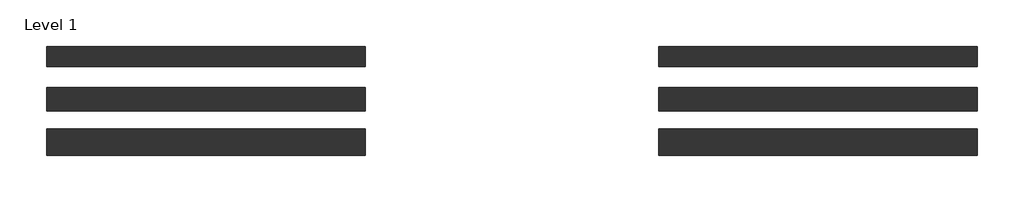
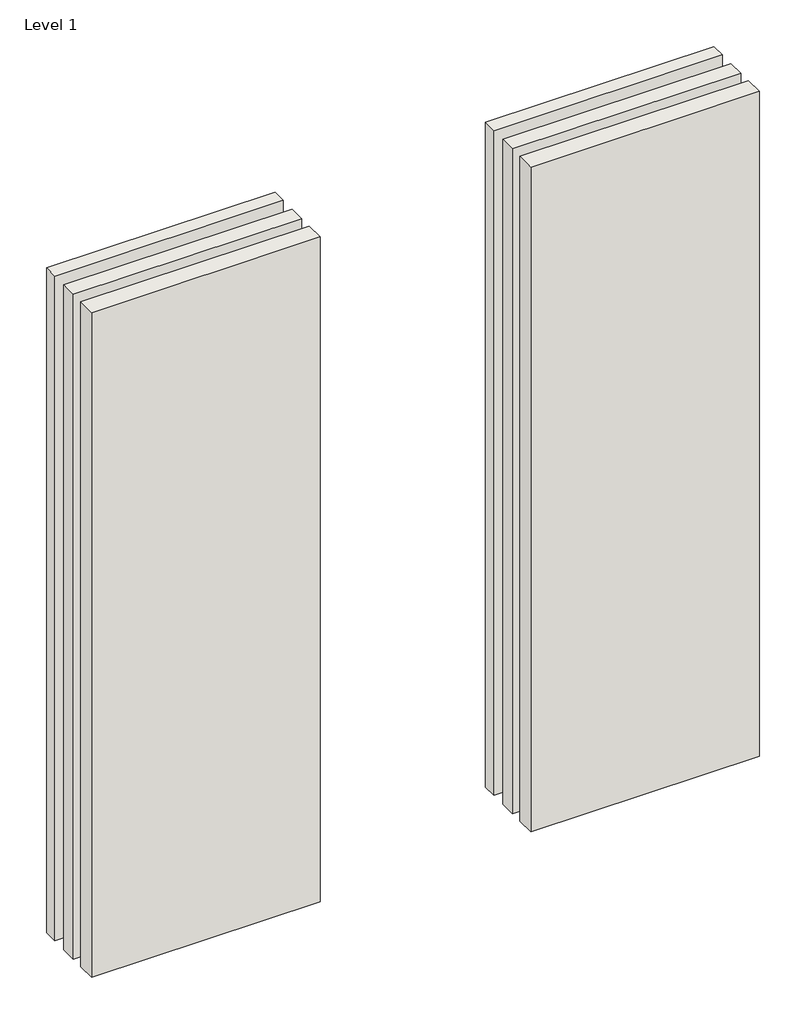
# One storey: 6 walls.
"""IFC4 building model written with IfcOpenShell, lengths in millimetres."""

from ifc_helpers import new_model, si_unit, origin, origin_with_axes, place, context, project, spatial, polyline, outline, extrude, element, save

model = new_model("IFC4")

# Units and contexts
model_context = context("Model", 3, world=origin())
ifc_project = project(units=[si_unit("LENGTHUNIT", "METRE", prefix="MILLI")], contexts=[model_context])

# Site, building, storey
site = spatial("IfcSite", under=ifc_project)
building = spatial("IfcBuilding", under=site)
storey = spatial("IfcBuildingStorey", under=building, Name="Level 1", Elevation=0.0)

# Walls
placement = place(None, origin())
element("IfcWall", 1, at=placement, inside=storey, context=model_context, shape_type="SweptSolid", body=[
    extrude(outline(polyline([(-16904.1464237, 3303.9042935), (-19504.1464237, 3303.9042935), (-19504.1464237, 3468.9042935), (-16904.1464237, 3468.9042935), (-16904.1464237, 3303.9042935)])), origin_with_axes(), (0.0, 0.0, 1.0), 8000.0),
])
element("IfcWall", 2, at=placement, inside=storey, context=model_context, shape_type="SweptSolid", body=[
    extrude(outline(polyline([(-16904.1464237, 2941.4042935), (-19504.1464237, 2941.4042935), (-19504.1464237, 3131.4042935), (-16904.1464237, 3131.4042935), (-16904.1464237, 2941.4042935)])), origin_with_axes(), (0.0, 0.0, 1.0), 8000.0),
])
element("IfcWall", 3, at=placement, inside=storey, context=model_context, shape_type="SweptSolid", body=[
    extrude(outline(polyline([(-16904.1464237, 2578.9042935), (-19504.1464237, 2578.9042935), (-19504.1464237, 2793.9042935), (-16904.1464237, 2793.9042935), (-16904.1464237, 2578.9042935)])), origin_with_axes(), (0.0, 0.0, 1.0), 8000.0),
])
element("IfcWall", 4, at=placement, inside=storey, context=model_context, shape_type="SweptSolid", body=[
    extrude(outline(polyline([(-11904.1464237, 3303.9042935), (-14504.1464237, 3303.9042935), (-14504.1464237, 3468.9042935), (-11904.1464237, 3468.9042935), (-11904.1464237, 3303.9042935)])), origin_with_axes(), (0.0, 0.0, 1.0), 8000.0),
])
element("IfcWall", 5, at=placement, inside=storey, context=model_context, shape_type="SweptSolid", body=[
    extrude(outline(polyline([(-11904.1464237, 2941.4042935), (-14504.1464237, 2941.4042935), (-14504.1464237, 3131.4042935), (-11904.1464237, 3131.4042935), (-11904.1464237, 2941.4042935)])), origin_with_axes(), (0.0, 0.0, 1.0), 8000.0),
])
element("IfcWall", 6, at=placement, inside=storey, context=model_context, shape_type="SweptSolid", body=[
    extrude(outline(polyline([(-11904.1464237, 2578.9042935), (-14504.1464237, 2578.9042935), (-14504.1464237, 2793.9042935), (-11904.1464237, 2793.9042935), (-11904.1464237, 2578.9042935)])), origin_with_axes(), (0.0, 0.0, 1.0), 8000.0),
])

save(model, "model.ifc")
